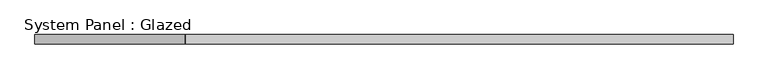
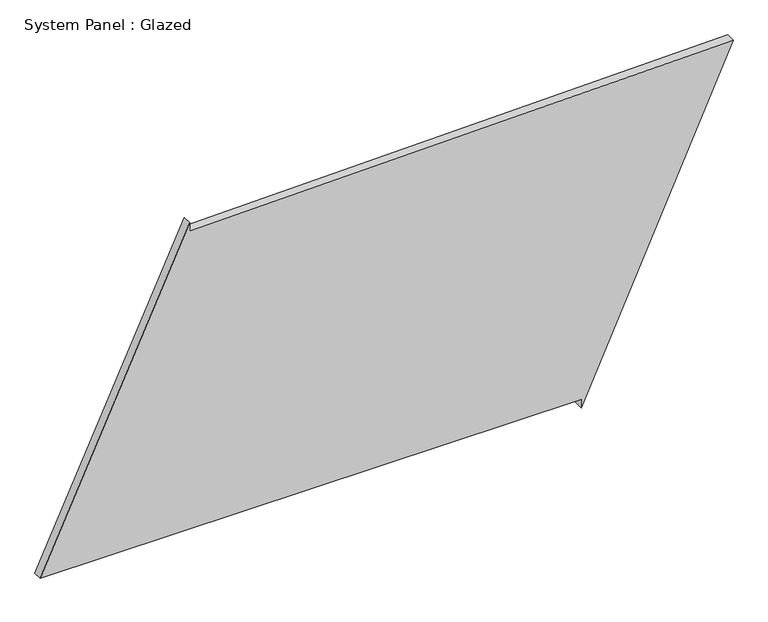
"""IFC4 building model written with IfcOpenShell, lengths in millimetres: plate geometry, System Panel : Glazed."""

from ifc_helpers import new_model, si_unit, frame, origin, place, context, project, spatial, polyline, outline, extrude, source, transform, mapped, element, save


def system_panel_glazed_0fc2bcaa(model_context):
    return source(origin(), model_context, "Body", "SweptSolid", [
        extrude(outline(polyline([(25.0, 536.2537403), (0.0, 536.2537403), (926.0473616, 955.1039708), (892.7164329, -542.7559843), (917.7102456, -543.3121558), (25.0, -955.1039708), (25.0, 536.2537403)])), frame((0.0, -49.5, 0.0), z_axis=(0.0, 1.0, 0.0), x_axis=(0.0, 0.0, 1.0)), (0.0, 0.0, 1.0), 25.0),
    ])


if __name__ == "__main__":
    model = new_model("IFC4")
    model_context = context("Model", 3, world=origin())
    ifc_project = project(units=[si_unit("LENGTHUNIT", "METRE", prefix="MILLI")], contexts=[model_context])
    site = spatial("IfcSite", under=ifc_project)
    building = spatial("IfcBuilding", under=site)
    placement = place(None, origin())
    system_panel_glazed_shape = system_panel_glazed_0fc2bcaa(model_context)
    element("IfcPlate", 1, ObjectType="System Panel : Glazed", at=placement, inside=building, context=model_context, shape_type="MappedRepresentation", body=[
        mapped(system_panel_glazed_shape, transform((0.0, 0.0, 0.0), x_axis=(1.0, 0.0, 0.0), y_axis=(0.0, 1.0, 0.0), z_axis=(0.0, 0.0, 1.0))),
    ])
    save(model, "model.ifc")
